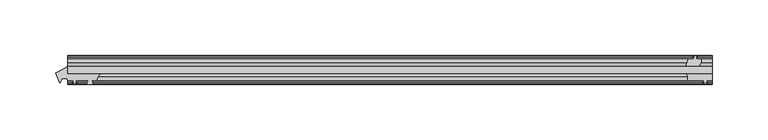
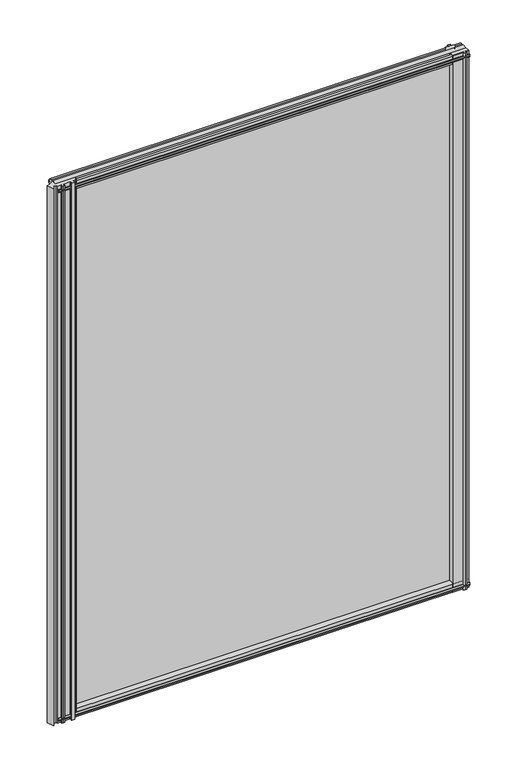
"""IFC4 building model written with IfcOpenShell, lengths in millimetres: plate geometry."""

from ifc_helpers import new_model, si_unit, point, frame, frame_2d, origin, place, context, project, spatial, polyline, circle_curve, trimmed, segment, composite_curve, outline, extrude, source, transform, mapped, element, save


def plate_92086220(model_context):
    return source(origin(), model_context, "Body", "SweptSolid", [
        extrude(outline(polyline([(-267.890625, -19.5460937), (311.15, -19.5460937), (311.15, -25.8960937), (-267.890625, -25.8960937), (-267.890625, -19.5460937)])), frame((0.0, 0.0, -12.7), z_axis=(0.0, 0.0, 1.0), x_axis=(1.0, 0.0, 0.0)), (0.0, 0.0, 1.0), 800.1),
        extrude(outline(composite_curve([segment(trimmed(circle_curve(frame_2d((-230.433521, -34.0324587)), 11.1804786), [point((-238.1018106, -25.8960938))], [point((-241.4703684, -32.2460938))], True, "CARTESIAN"), True, "CONTINUOUS"), segment(polyline([(-241.4703684, -32.2460938), (-245.7121684, -32.2460938)]), True, "CONTINUOUS"), segment(trimmed(circle_curve(frame_2d((-245.7121684, -32.7032938)), 0.4572), [point((-245.7121684, -32.2460938))], [point((-246.0509863, -33.0102698))], True, "CARTESIAN"), True, "CONTINUOUS"), segment(trimmed(circle_curve(frame_2d((-247.8203684, -34.613367)), 2.3876), [point((-246.0509863, -33.0102698))], [point((-245.7497254, -35.8020938))], False, "CARTESIAN"), True, "CONTINUOUS"), segment(polyline([(-245.7497254, -35.8020938), (-249.8910114, -35.8020938)]), True, "CONTINUOUS"), segment(trimmed(circle_curve(frame_2d((-247.8203684, -34.613367)), 2.3876), [point((-249.8910114, -35.8020938))], [point((-249.5897506, -33.0102698))], False, "CARTESIAN"), True, "CONTINUOUS"), segment(trimmed(circle_curve(frame_2d((-249.9285684, -32.7032938)), 0.4572), [point((-249.5897506, -33.0102698))], [point((-249.9285684, -32.2460938))], True, "CARTESIAN"), True, "CONTINUOUS"), segment(polyline([(-249.9285684, -32.2460938), (-260.3171684, -32.2460938), (-260.6346684, -34.3506957), (-259.4160626, -34.0241712), (-259.2122684, -34.7847412), (-261.5871684, -35.4210937), (-263.9620684, -34.7847412), (-263.7582743, -34.0241712), (-262.5396684, -34.3506957), (-262.8571684, -32.2460938), (-267.9371684, -32.2460938), (-268.7546701, -30.3775881), (-272.4715456, -30.3775881), (-274.8816069, -34.5272548), (-278.5694923, -25.6278457)]), True, "CONTINUOUS"), segment(trimmed(circle_curve(frame_2d((-297.1204414, 19.1383188)), 48.4576846), [point((-278.5694923, -25.6278457))], [point((-267.9371684, -19.5460938))], True, "CARTESIAN"), True, "CONTINUOUS"), segment(polyline([(-267.9371684, -19.5460938), (-267.9371684, -25.8960938), (-238.1018106, -25.8960938)]), True, "CONTINUOUS")], self_intersect=False)), frame((0.0, 0.0, -12.7), z_axis=(0.0, 0.0, 1.0), x_axis=(1.0, 0.0, 0.0)), (0.0, 0.0, 1.0), 800.1),
        extrude(outline(composite_curve([segment(polyline([(311.1542854, -32.2460938), (306.0742854, -32.2460938), (305.7567854, -34.3506957), (306.9753913, -34.0241712), (307.1791854, -34.7847412), (304.8042854, -35.4210938), (302.4293854, -34.7847412), (302.6331795, -34.0241712), (303.8517854, -34.3506957), (303.5342854, -32.2460938), (288.925, -32.2460938)]), True, "CONTINUOUS"), segment(trimmed(circle_curve(frame_2d((280.043449, -30.5054843)), 9.0505066), [point((288.925, -32.2460938))], [point((287.8322351, -25.8960937))], True, "CARTESIAN"), True, "CONTINUOUS"), segment(polyline([(287.8322351, -25.8960937), (311.1542854, -25.8960937), (311.1542854, -32.2460938)]), True, "CONTINUOUS")], self_intersect=False)), frame((0.0, 0.0, -12.7), z_axis=(0.0, 0.0, 1.0), x_axis=(1.0, 0.0, 0.0)), (0.0, 0.0, 1.0), 800.1),
        extrude(outline(polyline([(293.6181709, -10.4746158), (295.7957, -9.7670938), (297.973229, -10.4746158), (297.973229, -11.27583), (296.5577, -10.8158968), (296.9387, -13.1960938), (301.3837, -13.1960938), (301.3837, -16.1424938), (299.1710038, -19.5460937), (287.3404229, -19.5460937), (289.4457, -13.1960938), (294.6527, -13.1960938), (295.0337, -10.8158968), (293.6181709, -11.27583), (293.6181709, -10.4746158)])), frame((0.0, 0.0, -12.7), z_axis=(0.0, 0.0, 1.0), x_axis=(1.0, 0.0, 0.0)), (0.0, 0.0, 1.0), 800.1),
        extrude(outline(polyline([(-13.1960937, 787.1587), (-13.1960937, 782.7137), (-10.8158968, 782.3327), (-11.27583, 783.7482291), (-10.4746158, 783.7482291), (-9.7670937, 781.5707), (-10.4746158, 779.393171), (-11.27583, 779.393171), (-10.8158968, 780.8087), (-13.1960937, 780.4277), (-13.1960937, 775.2207), (-19.5460937, 773.115423), (-19.5460937, 784.9460038), (-16.1424937, 787.1587), (-13.1960937, 787.1587)])), frame((-267.890625, 0.0, 0.0), z_axis=(1.0, 0.0, 0.0), x_axis=(0.0, 1.0, 0.0)), (0.0, 0.0, 1.0), 579.040625),
        extrude(outline(polyline([(-29.2996937, 786.638), (-25.8960937, 784.4253038), (-25.8960937, 772.594723), (-32.2460937, 774.7), (-32.2460937, 779.907), (-34.6262907, 780.288), (-34.1663575, 778.872471), (-34.9675717, 778.872471), (-35.6750937, 781.05), (-34.9675717, 783.2275291), (-34.1663575, 783.2275291), (-34.6262907, 781.812), (-32.2460937, 782.193), (-32.2460937, 786.638), (-29.2996937, 786.638)])), frame((-267.890625, 0.0, 0.0), z_axis=(1.0, 0.0, 0.0), x_axis=(0.0, 1.0, 0.0)), (0.0, 0.0, 1.0), 579.040625),
        extrude(outline(polyline([(-25.8960937, 2.1052771), (-25.8960937, -9.7253038), (-29.2996937, -11.938), (-32.2460937, -11.938), (-32.2460937, -7.493), (-34.6262907, -7.112), (-34.1663575, -8.5275291), (-34.9675717, -8.5275291), (-35.6750937, -6.35), (-34.9675717, -4.1724709), (-34.1663575, -4.1724709), (-34.6262907, -5.588), (-32.2460937, -5.207), (-32.2460937, 0.0), (-25.8960937, 2.1052771)])), frame((-267.890625, 0.0, 0.0), z_axis=(1.0, 0.0, 0.0), x_axis=(0.0, 1.0, 0.0)), (0.0, 0.0, 1.0), 579.040625),
        extrude(outline(polyline([(-19.5460937, 1.5845771), (-13.1960937, -0.5207), (-13.1960937, -5.7277), (-10.8158968, -6.1087), (-11.27583, -4.6931709), (-10.4746158, -4.6931709), (-9.7670937, -6.8707), (-10.4746158, -9.048229), (-11.27583, -9.048229), (-10.8158968, -7.6327), (-13.1960937, -8.0137), (-13.1960937, -12.4587), (-16.1424937, -12.4587), (-19.5460937, -10.2460038), (-19.5460937, 1.5845771)])), frame((-267.890625, 0.0, 0.0), z_axis=(1.0, 0.0, 0.0), x_axis=(0.0, 1.0, 0.0)), (0.0, 0.0, 1.0), 579.040625),
    ])


if __name__ == "__main__":
    model = new_model("IFC4")
    model_context = context("Model", 3, world=origin())
    ifc_project = project(units=[si_unit("LENGTHUNIT", "METRE", prefix="MILLI")], contexts=[model_context])
    site = spatial("IfcSite", under=ifc_project)
    building = spatial("IfcBuilding", under=site)
    placement = place(None, origin())
    plate_shape = plate_92086220(model_context)
    element("IfcPlate", 1, at=placement, inside=building, context=model_context, shape_type="MappedRepresentation", body=[
        mapped(plate_shape, transform((0.0, 0.0, 0.0), x_axis=(1.0, 0.0, 0.0), y_axis=(0.0, 1.0, 0.0), z_axis=(0.0, 0.0, 1.0))),
    ])
    save(model, "model.ifc")
